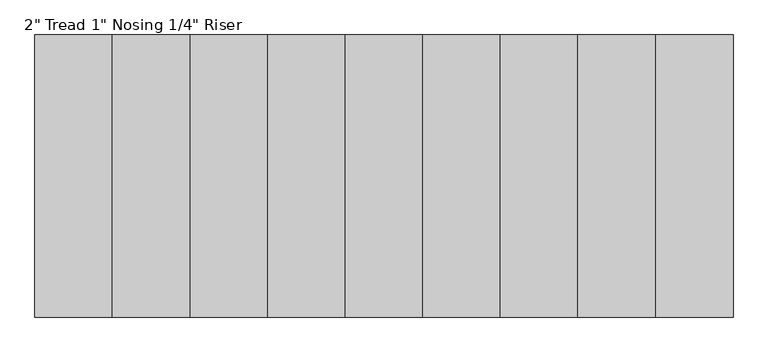
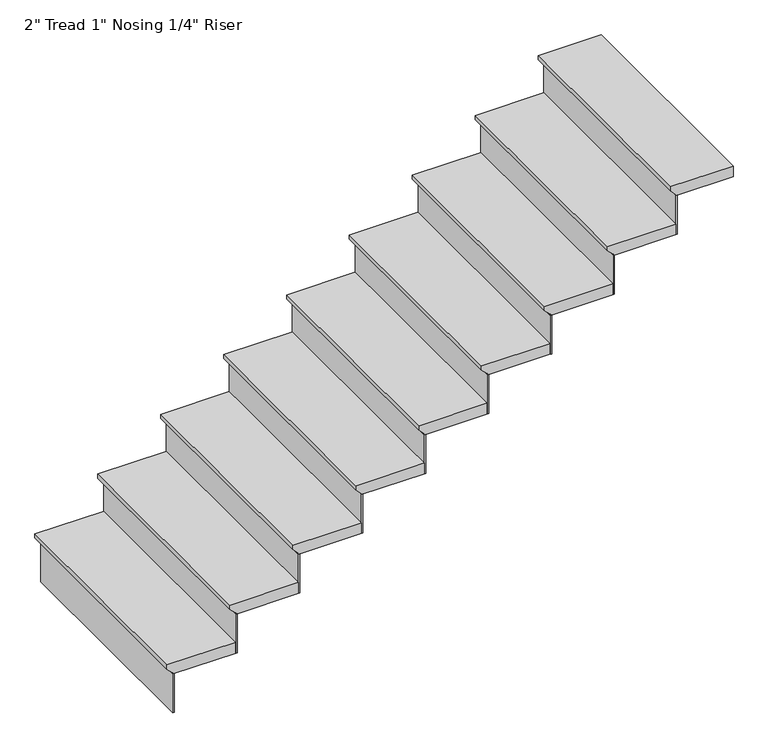
"""IFC4 building model written with IfcOpenShell, lengths in millimetres: stair flight geometry."""

from ifc_helpers import new_model, si_unit, frame, origin, place, context, project, spatial, polyline, outline, extrude, source, transform, mapped, element, save


def stair_flight_065906ca(model_context):
    return source(origin(), model_context, "Body", "SweptSolid", [
        extrude(outline(polyline([(1830.9166667, 3066.8029953), (1830.9166667, 2762.0029953), (1811.8666667, 2762.0029953), (1786.4666667, 2787.4029953), (1780.1166667, 2787.4029953), (1780.1166667, 3066.8029953), (1830.9166667, 3066.8029953)])), frame((0.0, 1930.3857033, 0.0), z_axis=(0.0, 1.0, 0.0), x_axis=(0.0, 0.0, 1.0)), (0.0, 0.0, 1.0), 1016.0),
        extrude(outline(polyline([(2793.7529953, 1930.3857033), (2787.4029953, 1930.3857033), (2787.4029953, 2946.3857033), (2793.7529953, 2946.3857033), (2793.7529953, 1930.3857033)])), frame((0.0, 0.0, 1597.025), z_axis=(0.0, 0.0, 1.0), x_axis=(1.0, 0.0, 0.0)), (0.0, 0.0, 1.0), 183.0916667),
        extrude(outline(polyline([(3073.1529953, 1930.3857033), (3066.8029953, 1930.3857033), (3066.8029953, 2946.3857033), (3073.1529953, 2946.3857033), (3073.1529953, 1930.3857033)])), frame((0.0, 0.0, 1780.1166667), z_axis=(0.0, 0.0, 1.0), x_axis=(1.0, 0.0, 0.0)), (0.0, 0.0, 1.0), 183.0916667),
        extrude(outline(polyline([(2014.0083333, 3346.2029953), (2014.0083333, 3041.4029953), (1994.9583333, 3041.4029953), (1969.5583333, 3066.8029953), (1963.2083333, 3066.8029953), (1963.2083333, 3346.2029953), (2014.0083333, 3346.2029953)])), frame((0.0, 1930.3857033, 0.0), z_axis=(0.0, 1.0, 0.0), x_axis=(0.0, 0.0, 1.0)), (0.0, 0.0, 1.0), 1016.0),
        extrude(outline(polyline([(3352.5529953, 1930.3857033), (3346.2029953, 1930.3857033), (3346.2029953, 2946.3857033), (3352.5529953, 2946.3857033), (3352.5529953, 1930.3857033)])), frame((0.0, 0.0, 1963.2083333), z_axis=(0.0, 0.0, 1.0), x_axis=(1.0, 0.0, 0.0)), (0.0, 0.0, 1.0), 183.0916667),
        extrude(outline(polyline([(2197.1, 3625.6029953), (2197.1, 3320.8029953), (2178.05, 3320.8029953), (2152.65, 3346.2029953), (2146.3, 3346.2029953), (2146.3, 3625.6029953), (2197.1, 3625.6029953)])), frame((0.0, 1930.3857033, 0.0), z_axis=(0.0, 1.0, 0.0), x_axis=(0.0, 0.0, 1.0)), (0.0, 0.0, 1.0), 1016.0),
        extrude(outline(polyline([(3631.9529953, 1930.3857033), (3625.6029953, 1930.3857033), (3625.6029953, 2946.3857033), (3631.9529953, 2946.3857033), (3631.9529953, 1930.3857033)])), frame((0.0, 0.0, 2146.3), z_axis=(0.0, 0.0, 1.0), x_axis=(1.0, 0.0, 0.0)), (0.0, 0.0, 1.0), 183.0916667),
        extrude(outline(polyline([(2380.1916667, 3905.0029953), (2380.1916667, 3600.2029953), (2361.1416667, 3600.2029953), (2335.7416667, 3625.6029953), (2329.3916667, 3625.6029953), (2329.3916667, 3905.0029953), (2380.1916667, 3905.0029953)])), frame((0.0, 1930.3857033, 0.0), z_axis=(0.0, 1.0, 0.0), x_axis=(0.0, 0.0, 1.0)), (0.0, 0.0, 1.0), 1016.0),
        extrude(outline(polyline([(3911.3529953, 1930.3857033), (3905.0029953, 1930.3857033), (3905.0029953, 2946.3857033), (3911.3529953, 2946.3857033), (3911.3529953, 1930.3857033)])), frame((0.0, 0.0, 2329.3916667), z_axis=(0.0, 0.0, 1.0), x_axis=(1.0, 0.0, 0.0)), (0.0, 0.0, 1.0), 183.0916667),
        extrude(outline(polyline([(2563.2833333, 4184.4029953), (2563.2833333, 3879.6029953), (2544.2333333, 3879.6029953), (2518.8333333, 3905.0029953), (2512.4833333, 3905.0029953), (2512.4833333, 4184.4029953), (2563.2833333, 4184.4029953)])), frame((0.0, 1930.3857033, 0.0), z_axis=(0.0, 1.0, 0.0), x_axis=(0.0, 0.0, 1.0)), (0.0, 0.0, 1.0), 1016.0),
        extrude(outline(polyline([(4190.7529953, 1930.3857033), (4184.4029953, 1930.3857033), (4184.4029953, 2946.3857033), (4190.7529953, 2946.3857033), (4190.7529953, 1930.3857033)])), frame((0.0, 0.0, 2512.4833333), z_axis=(0.0, 0.0, 1.0), x_axis=(1.0, 0.0, 0.0)), (0.0, 0.0, 1.0), 183.0916667),
        extrude(outline(polyline([(2746.375, 4463.8029953), (2746.375, 4159.0029953), (2727.325, 4159.0029953), (2701.925, 4184.4029953), (2695.575, 4184.4029953), (2695.575, 4463.8029953), (2746.375, 4463.8029953)])), frame((0.0, 1930.3857033, 0.0), z_axis=(0.0, 1.0, 0.0), x_axis=(0.0, 0.0, 1.0)), (0.0, 0.0, 1.0), 1016.0),
        extrude(outline(polyline([(4470.1529953, 1930.3857033), (4463.8029953, 1930.3857033), (4463.8029953, 2946.3857033), (4470.1529953, 2946.3857033), (4470.1529953, 1930.3857033)])), frame((0.0, 0.0, 2695.575), z_axis=(0.0, 0.0, 1.0), x_axis=(1.0, 0.0, 0.0)), (0.0, 0.0, 1.0), 183.0916667),
        extrude(outline(polyline([(2929.4666667, 4743.2029953), (2929.4666667, 4438.4029953), (2910.4166667, 4438.4029953), (2885.0166667, 4463.8029953), (2878.6666667, 4463.8029953), (2878.6666667, 4743.2029953), (2929.4666667, 4743.2029953)])), frame((0.0, 1930.3857033, 0.0), z_axis=(0.0, 1.0, 0.0), x_axis=(0.0, 0.0, 1.0)), (0.0, 0.0, 1.0), 1016.0),
        extrude(outline(polyline([(4749.5529953, 1930.3857033), (4743.2029953, 1930.3857033), (4743.2029953, 2946.3857033), (4749.5529953, 2946.3857033), (4749.5529953, 1930.3857033)])), frame((0.0, 0.0, 2878.6666667), z_axis=(0.0, 0.0, 1.0), x_axis=(1.0, 0.0, 0.0)), (0.0, 0.0, 1.0), 183.0916667),
        extrude(outline(polyline([(3112.5583333, 5022.6029953), (3112.5583333, 4717.8029953), (3093.5083333, 4717.8029953), (3068.1083333, 4743.2029953), (3061.7583333, 4743.2029953), (3061.7583333, 5022.6029953), (3112.5583333, 5022.6029953)])), frame((0.0, 1930.3857033, 0.0), z_axis=(0.0, 1.0, 0.0), x_axis=(0.0, 0.0, 1.0)), (0.0, 0.0, 1.0), 1016.0),
        extrude(outline(polyline([(5028.9529953, 1930.3857033), (5022.6029953, 1930.3857033), (5022.6029953, 2946.3857033), (5028.9529953, 2946.3857033), (5028.9529953, 1930.3857033)])), frame((0.0, 0.0, 3061.7583333), z_axis=(0.0, 0.0, 1.0), x_axis=(1.0, 0.0, 0.0)), (0.0, 0.0, 1.0), 183.0916667),
        extrude(outline(polyline([(3295.65, 5276.6029953), (3295.65, 4997.2029953), (3276.6, 4997.2029953), (3251.2, 5022.6029953), (3244.85, 5022.6029953), (3244.85, 5276.6029953), (3295.65, 5276.6029953)])), frame((0.0, 1930.3857033, 0.0), z_axis=(0.0, 1.0, 0.0), x_axis=(0.0, 0.0, 1.0)), (0.0, 0.0, 1.0), 1016.0),
    ])


if __name__ == "__main__":
    model = new_model("IFC4")
    model_context = context("Model", 3, world=origin())
    ifc_project = project(units=[si_unit("LENGTHUNIT", "METRE", prefix="MILLI")], contexts=[model_context])
    site = spatial("IfcSite", under=ifc_project)
    building = spatial("IfcBuilding", under=site)
    placement = place(None, origin())
    stair_flight_shape = stair_flight_065906ca(model_context)
    element("IfcStairFlight", 1, ObjectType="2\" Tread 1\" Nosing 1/4\" Riser", at=placement, inside=building, context=model_context, shape_type="MappedRepresentation", body=[
        mapped(stair_flight_shape, transform((0.0, 0.0, 0.0), x_axis=(1.0, 0.0, 0.0), y_axis=(0.0, 1.0, 0.0), z_axis=(0.0, 0.0, 1.0))),
    ])
    save(model, "model.ifc")
